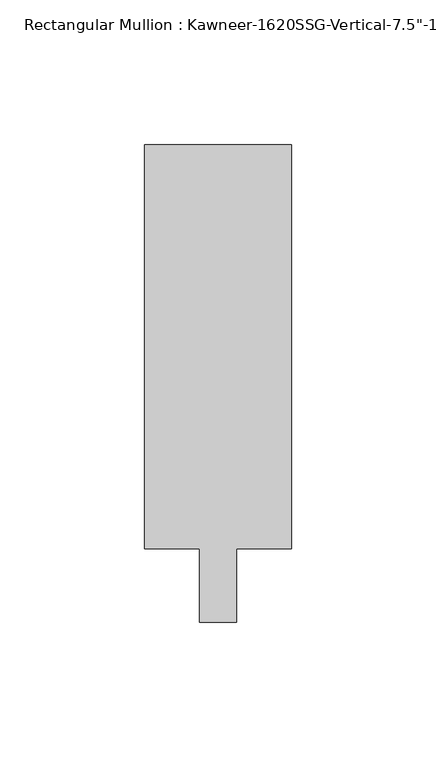
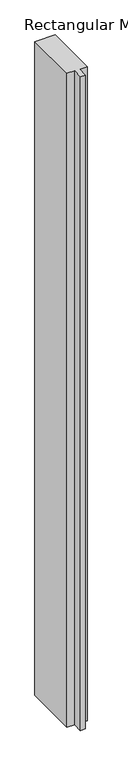
"""IFC4 building model written with IfcOpenShell, lengths in millimetres: member geometry."""

from ifc_helpers import new_model, si_unit, frame, origin, place, context, project, spatial, polyline, outline, extrude, source, transform, mapped, element, save


def member_68b9e024(model_context):
    return source(origin(), model_context, "Body", "SweptSolid", [
        extrude(outline(polyline([(25.4, 152.4), (25.4, 12.7), (6.35, 12.7), (6.35, -12.7), (-6.35, -12.7), (-6.35, 12.7), (-25.4, 12.7), (-25.4, 152.4), (25.4, 152.4)])), frame((0.0, 0.0, -1739.9), z_axis=(0.0, 0.0, 1.0), x_axis=(1.0, 0.0, 0.0)), (0.0, 0.0, 1.0), 1739.9),
    ])


if __name__ == "__main__":
    model = new_model("IFC4")
    model_context = context("Model", 3, world=origin())
    ifc_project = project(units=[si_unit("LENGTHUNIT", "METRE", prefix="MILLI")], contexts=[model_context])
    site = spatial("IfcSite", under=ifc_project)
    building = spatial("IfcBuilding", under=site)
    placement = place(None, origin())
    member_shape = member_68b9e024(model_context)
    element("IfcMember", 1, ObjectType="Rectangular Mullion : Kawneer-1620SSG-Vertical-7.5\"-1\"Infill-Standard", at=placement, inside=building, context=model_context, shape_type="MappedRepresentation", body=[
        mapped(member_shape, transform((0.0, 0.0, 0.0), x_axis=(1.0, 0.0, 0.0), y_axis=(0.0, 1.0, 0.0), z_axis=(0.0, 0.0, 1.0))),
    ])
    save(model, "model.ifc")
